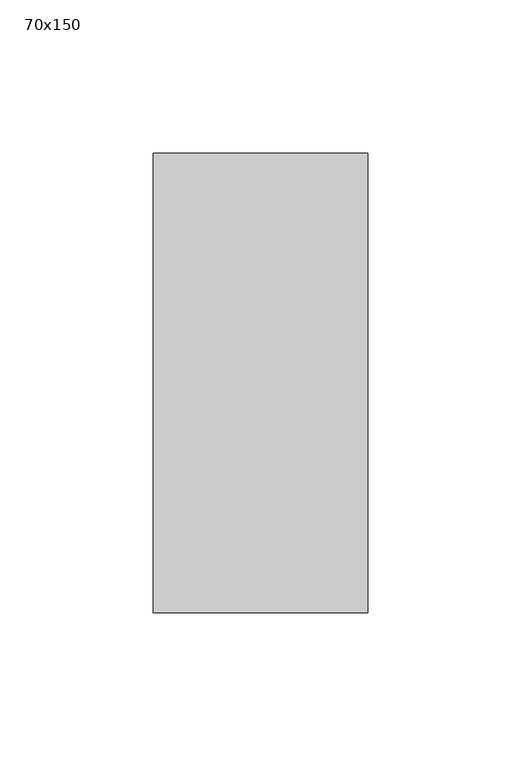
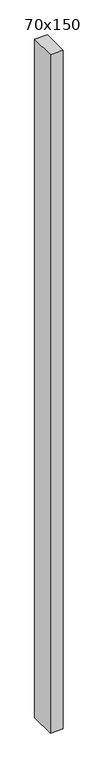
"""IFC4 building model written with IfcOpenShell, lengths in millimetres: member geometry, 70x150."""

from ifc_helpers import new_model, si_unit, frame, origin, place, context, project, spatial, polyline, outline, extrude, source, transform, mapped, element, save


def member_70x150_6224b0b0(model_context):
    return source(origin(), model_context, "Body", "SweptSolid", [
        extrude(outline(polyline([(35.0, 75.0), (35.0, -75.0), (-35.0, -75.0), (-35.0, 75.0), (35.0, 75.0)])), frame((0.0, 0.0, -3975.0), z_axis=(0.0, 0.0, 1.0), x_axis=(1.0, 0.0, 0.0)), (0.0, 0.0, 1.0), 3975.0),
    ])


if __name__ == "__main__":
    model = new_model("IFC4")
    model_context = context("Model", 3, world=origin())
    ifc_project = project(units=[si_unit("LENGTHUNIT", "METRE", prefix="MILLI")], contexts=[model_context])
    site = spatial("IfcSite", under=ifc_project)
    building = spatial("IfcBuilding", under=site)
    placement = place(None, origin())
    member_70x150_shape = member_70x150_6224b0b0(model_context)
    element("IfcMember", 1, ObjectType="70x150", at=placement, inside=building, context=model_context, shape_type="MappedRepresentation", body=[
        mapped(member_70x150_shape, transform((0.0, 0.0, 0.0), x_axis=(1.0, 0.0, 0.0), y_axis=(0.0, 1.0, 0.0), z_axis=(0.0, 0.0, 1.0))),
    ])
    save(model, "model.ifc")
